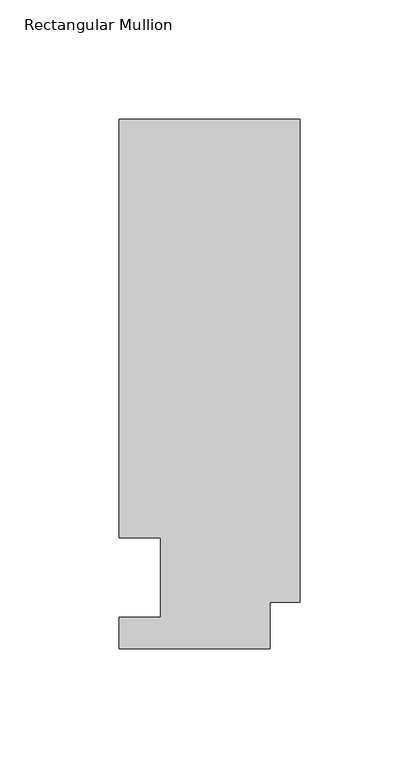
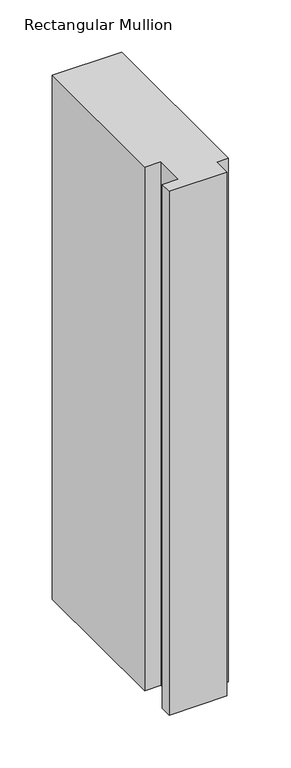
"""IFC4 building model written with IfcOpenShell, lengths in millimetres: member geometry, Rectangular Mullion."""

import ifcopenshell
import ifcopenshell.guid

model = None  # the IFC model being written
_history = None  # IfcOwnerHistory: only IFC2X3 demands one
_inside = {}  # id of a spatial element -> (the spatial element, [elements in it])
_under = {}  # id of a project, library or spatial element -> (it, [spatial elements below it])
_declared = {}  # id of a project -> (the project, [libraries it declares])
_typed = {}  # id of a type object -> (the type object, [elements of that type])
_made_of = {}  # id of a material, layer set ... -> (it, [elements and type objects made of it])


def new_model(schema):
    """Start an empty IFC model of exactly this schema.

    Asked for "IFC4X3", IfcOpenShell would pick the latest addendum, in which some entities
    have other attributes; the version numbers below select the first issue.
    IFC2X3 requires an IfcOwnerHistory on every rooted entity: one is made here for all.
    """
    global model, _history
    if schema == "IFC4X3":
        model = ifcopenshell.file(schema_version=(4, 3, 0, 0))
    else:
        model = ifcopenshell.file(schema=schema)
    _inside.clear()
    _under.clear()
    _declared.clear()
    _typed.clear()
    _made_of.clear()
    _history = None
    if model.schema == "IFC2X3":
        org = make("IfcOrganization", Name="unknown")
        user = make(
            "IfcPersonAndOrganization",
            ThePerson=make("IfcPerson", FamilyName="unknown"),
            TheOrganization=org,
        )
        app = make(
            "IfcApplication",
            ApplicationDeveloper=org,
            Version="unknown",
            ApplicationFullName="unknown",
            ApplicationIdentifier="unknown",
        )
        _history = make(
            "IfcOwnerHistory",
            OwningUser=user,
            OwningApplication=app,
            ChangeAction="ADDED",
            CreationDate=0,
        )
    return model


def make(cls, **values):
    """One entity of the class cls with the attributes given. An attribute that is None is left unset."""
    return model.create_entity(
        cls, **{name: value for name, value in values.items() if value is not None}
    )


def rooted(cls, **values):
    """An entity with a GlobalId (a new one), such as an element, a storey or a relation."""
    return make(cls, GlobalId=ifcopenshell.guid.new(), OwnerHistory=_history, **values)


def si_unit(unit_type, name, prefix=None):
    """IfcSIUnit, for example si_unit("LENGTHUNIT", "METRE", prefix="MILLI")."""
    return make("IfcSIUnit", UnitType=unit_type, Prefix=prefix, Name=name)


def assignment(units):
    """IfcUnitAssignment: the units of a project."""
    return None if units is None else make("IfcUnitAssignment", Units=units)


def point(xyz):
    """IfcCartesianPoint."""
    return None if xyz is None else make("IfcCartesianPoint", Coordinates=xyz)


def direction(xyz):
    """IfcDirection."""
    return None if xyz is None else make("IfcDirection", DirectionRatios=xyz)


def frame(location, z_axis=None, x_axis=None):
    """IfcAxis2Placement3D, a coordinate frame: its origin and axes. An axis left out is left unset."""
    return make(
        "IfcAxis2Placement3D",
        Location=point(location),
        Axis=direction(z_axis),
        RefDirection=direction(x_axis),
    )


def origin():
    """The frame at (0, 0, 0) with its axes left unset."""
    return frame((0.0, 0.0, 0.0))


def place(relative_to, where):
    """IfcLocalPlacement: puts the frame where relative to a parent placement (None: the world)."""
    return make(
        "IfcLocalPlacement", PlacementRelTo=relative_to, RelativePlacement=where
    )


def context(
    kind, dimensions, precision=None, world=None, true_north=None, identifier=None
):
    """IfcGeometricRepresentationContext, for example the 3D "Model" context."""
    return make(
        "IfcGeometricRepresentationContext",
        ContextIdentifier=identifier,
        ContextType=kind,
        CoordinateSpaceDimension=dimensions,
        Precision=precision,
        WorldCoordinateSystem=world,
        TrueNorth=true_north,
    )


def project(units=None, contexts=None):
    """IfcProject with its units and contexts."""
    return rooted(
        "IfcProject",
        Name="project",
        RepresentationContexts=contexts,
        UnitsInContext=assignment(units),
    )


def spatial(cls, under=None, at=None, **own):
    """A site, building, storey or space (cls), placed at a placement, below another one or the project."""
    s = rooted(cls, ObjectPlacement=at, **own)
    if under is not None:
        _under.setdefault(under.id(), (under, []))[1].append(s)
    return s


def polyline(points):
    """IfcPolyline through the points."""
    return make("IfcPolyline", Points=[point(p) for p in points])


def outline(outer, holes=None, kind="AREA"):
    """IfcArbitraryClosedProfileDef: a profile drawn as a closed curve; with holes, ...WithVoids."""
    if holes is None:
        return make("IfcArbitraryClosedProfileDef", ProfileType=kind, OuterCurve=outer)
    return make(
        "IfcArbitraryProfileDefWithVoids",
        ProfileType=kind,
        OuterCurve=outer,
        InnerCurves=holes,
    )


def extrude(swept, where, along, depth):
    """IfcExtrudedAreaSolid: the profile swept, set in the frame where, extruded along a direction by depth."""
    return make(
        "IfcExtrudedAreaSolid",
        SweptArea=swept,
        Position=where,
        ExtrudedDirection=direction(along),
        Depth=depth,
    )


def shape(context_of_items, identifier, shape_type, items):
    """IfcShapeRepresentation: the items that make up one representation, for example the "Body"."""
    return make(
        "IfcShapeRepresentation",
        ContextOfItems=context_of_items,
        RepresentationIdentifier=identifier,
        RepresentationType=shape_type,
        Items=items,
    )


def source(mapping_origin, context_of_items, identifier, shape_type, items):
    """IfcRepresentationMap: a shape defined once, which mapped items show again and again."""
    return make(
        "IfcRepresentationMap",
        MappingOrigin=mapping_origin,
        MappedRepresentation=shape(context_of_items, identifier, shape_type, items),
    )


def transform(
    local_origin,
    x_axis=None,
    y_axis=None,
    z_axis=None,
    scale=None,
    scale2=None,
    scale3=None,
    uniform=True,
):
    """IfcCartesianTransformationOperator3D, or its non-uniform kind. x_axis, y_axis, z_axis: its Axis1, 2, 3."""
    if uniform:
        return make(
            "IfcCartesianTransformationOperator3D",
            Axis1=direction(x_axis),
            Axis2=direction(y_axis),
            LocalOrigin=point(local_origin),
            Scale=scale,
            Axis3=direction(z_axis),
        )
    return make(
        "IfcCartesianTransformationOperator3DnonUniform",
        Axis1=direction(x_axis),
        Axis2=direction(y_axis),
        LocalOrigin=point(local_origin),
        Scale=scale,
        Axis3=direction(z_axis),
        Scale2=scale2,
        Scale3=scale3,
    )


def mapped(mapping_source, mapping_target):
    """IfcMappedItem: shows the shape of a source again, moved by a transform."""
    return make(
        "IfcMappedItem", MappingSource=mapping_source, MappingTarget=mapping_target
    )


def made_of(thing, what):
    """Note that an element or type object is made of a material, layer set ...; save() writes the relation."""
    if what is not None:
        _made_of.setdefault(what.id(), (what, []))[1].append(thing)
    return thing


def element(
    cls,
    number,
    at=None,
    inside=None,
    cuts=None,
    type_object=None,
    material=None,
    context=None,
    identifier="Body",
    shape_type=None,
    held_by="IfcProductDefinitionShape",
    body=None,
    shapes=None,
    **own,
):
    """One element of the class cls, such as IfcWall. Its Tag is "e" and its number.

    at: its placement. inside: the storey or other place that contains it. cuts: it is an
    opening in that element (IfcRelVoidsElement). A single representation is given by context,
    identifier, shape_type and body (its items); several are given by shapes. held_by: the class
    of the entity that holds the representations. save() writes the other relations.
    """
    e = rooted(cls, Tag="e%d" % number, ObjectPlacement=at, **own)
    if body is not None:
        shapes = [shape(context, identifier, shape_type, body)]
    if shapes is not None:
        e.Representation = make(held_by, Representations=shapes)
    if inside is not None:
        _inside.setdefault(inside.id(), (inside, []))[1].append(e)
    if cuts is not None:
        rooted(
            "IfcRelVoidsElement", RelatingBuildingElement=cuts, RelatedOpeningElement=e
        )
    if type_object is not None:
        _typed.setdefault(type_object.id(), (type_object, []))[1].append(e)
    return made_of(e, material)


def aggregate(whole, parts):
    """IfcRelAggregates: a whole, such as a stair, and the parts it consists of."""
    return rooted("IfcRelAggregates", RelatingObject=whole, RelatedObjects=parts)


def save(model, path):
    """Write the relations noted so far, then the file.

    IfcRelAggregates (storeys below a building ...), IfcRelContainedInSpatialStructure (elements
    in a storey), IfcRelDefinesByType, IfcRelAssociatesMaterial and IfcRelDeclares: one each for
    every whole, place, type object, material and project.
    """
    for whole, parts in _under.values():
        aggregate(whole, parts)
    for where, things in _inside.values():
        rooted(
            "IfcRelContainedInSpatialStructure",
            RelatedElements=things,
            RelatingStructure=where,
        )
    for kind, things in _typed.values():
        rooted("IfcRelDefinesByType", RelatedObjects=things, RelatingType=kind)
    for what, things in _made_of.values():
        rooted("IfcRelAssociatesMaterial", RelatedObjects=things, RelatingMaterial=what)
    for by, libraries in _declared.values():
        rooted("IfcRelDeclares", RelatingContext=by, RelatedDefinitions=libraries)
    model.write(path)


def rectangular_mullion_5bd5f028(model_context):
    return source(origin(), model_context, "Body", "SweptSolid", [
        extrude(outline(polyline([(0.0, 222.5381313), (0.0, 19.5667313), (-12.7, 19.5667313), (-12.7, 0.041758), (-76.2, 0.041758), (-76.2, 13.224358), (-58.7676635, 13.224358), (-58.7676635, 46.7447302), (-76.2000001, 46.7447302), (-76.2000001, 222.5381313), (0.0, 222.5381313)])), frame((0.0, 0.0, -609.6), z_axis=(0.0, 0.0, 1.0), x_axis=(1.0, 0.0, 0.0)), (0.0, 0.0, 1.0), 609.6),
    ])


if __name__ == "__main__":
    model = new_model("IFC4")
    model_context = context("Model", 3, world=origin())
    ifc_project = project(units=[si_unit("LENGTHUNIT", "METRE", prefix="MILLI")], contexts=[model_context])
    site = spatial("IfcSite", under=ifc_project)
    building = spatial("IfcBuilding", under=site)
    placement = place(None, origin())
    rectangular_mullion_shape = rectangular_mullion_5bd5f028(model_context)
    element("IfcMember", 1, ObjectType="Rectangular Mullion", at=placement, inside=building, context=model_context, shape_type="MappedRepresentation", body=[
        mapped(rectangular_mullion_shape, transform((0.0, 0.0, 0.0), x_axis=(1.0, 0.0, 0.0), y_axis=(0.0, 1.0, 0.0), z_axis=(0.0, 0.0, 1.0))),
    ])
    save(model, "model.ifc")
